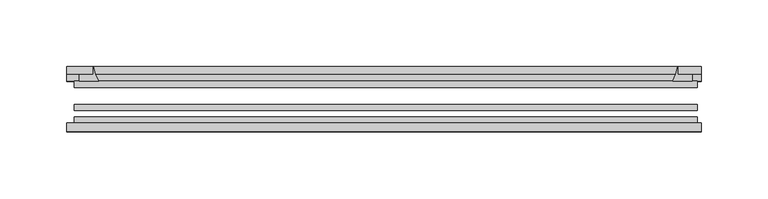
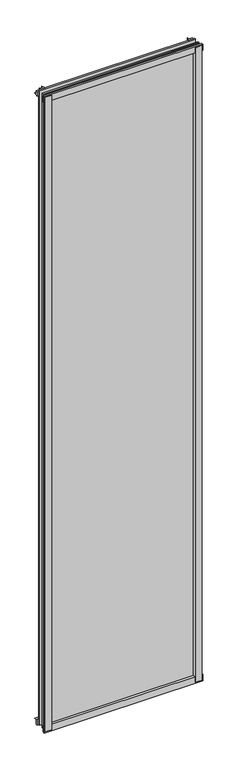
"""IFC4 building model written with IfcOpenShell, lengths in millimetres: plate geometry."""

from ifc_helpers import new_model, si_unit, point, frame, frame_2d, origin, place, context, project, spatial, polyline, circle_curve, trimmed, segment, composite_curve, outline, extrude, source, transform, mapped, element, save


def plate_85aa2384(model_context):
    return source(origin(), model_context, "Body", "SweptSolid", [
        extrude(outline(composite_curve([segment(polyline([(-235.9279, -78.7828625), (-214.5066987, -78.7828625)]), True, "CONTINUOUS"), segment(trimmed(circle_curve(frame_2d((-206.8695331, -84.652782)), 9.6323545), [point((-214.5066987, -78.7828625))], [point((-216.4899165, -85.1328625))], True, "CARTESIAN"), True, "CONTINUOUS"), segment(polyline([(-216.4899165, -85.1328625), (-235.9279, -85.1328625), (-235.9279, -78.7828625)]), True, "CONTINUOUS")], self_intersect=False)), frame((0.0, 0.0, -14.2875), z_axis=(0.0, 0.0, 1.0), x_axis=(1.0, 0.0, 0.0)), (0.0, 0.0, 1.0), 2009.775),
        extrude(outline(composite_curve([segment(polyline([(233.390119, -78.7828625), (233.390119, -85.1328625), (213.910229, -85.1328625)]), True, "CONTINUOUS"), segment(trimmed(circle_curve(frame_2d((204.2898456, -84.652782)), 9.6323545), [point((213.910229, -85.1328625))], [point((211.9270112, -78.7828625))], True, "CARTESIAN"), True, "CONTINUOUS"), segment(polyline([(211.9270112, -78.7828625), (233.390119, -78.7828625)]), True, "CONTINUOUS")], self_intersect=False)), frame((0.0, 0.0, -14.2875), z_axis=(0.0, 0.0, 1.0), x_axis=(1.0, 0.0, 0.0)), (0.0, 0.0, 1.0), 2009.775),
        extrude(outline(composite_curve([segment(polyline([(-47.1852625, -14.2875), (-47.1852625, 3.9588469)]), True, "CONTINUOUS"), segment(trimmed(circle_curve(frame_2d((-30.6824422, 32.267054)), 32.7673262), [point((-47.1852625, 3.9588469))], [point((-36.3503395, -0.00635))], True, "CARTESIAN"), True, "CONTINUOUS"), segment(polyline([(-36.3503395, -0.00635), (-42.2830625, -0.00635), (-42.2830625, -14.2875), (-47.1852625, -14.2875)]), True, "CONTINUOUS")], self_intersect=False)), frame((-239.1029, 0.0, 0.0), z_axis=(1.0, 0.0, 0.0), x_axis=(0.0, 1.0, 0.0)), (0.0, 0.0, 1.0), 475.6261125),
        extrude(outline(composite_curve([segment(polyline([(-78.7828625, -16.8821065), (-85.1328625, -16.8821065), (-85.1328625, 2.5977835)]), True, "CONTINUOUS"), segment(trimmed(circle_curve(frame_2d((-84.652782, 12.2181669)), 9.6323545), [point((-85.1328625, 2.5977835))], [point((-78.7828625, 4.5810013))], True, "CARTESIAN"), True, "CONTINUOUS"), segment(polyline([(-78.7828625, 4.5810013), (-78.7828625, -16.8821065)]), True, "CONTINUOUS")], self_intersect=False)), frame((-239.1029, 0.0, 0.0), z_axis=(1.0, 0.0, 0.0), x_axis=(0.0, 1.0, 0.0)), (0.0, 0.0, 1.0), 475.6261125),
        extrude(outline(composite_curve([segment(polyline([(-47.1852625, 1977.2284531), (-47.1852625, 1991.9002564), (-42.2830625, 1991.9002564), (-42.2830625, 1981.2), (-36.3140625, 1981.2)]), True, "CONTINUOUS"), segment(trimmed(circle_curve(frame_2d((-30.6824422, 1948.920246)), 32.7673262), [point((-36.3140625, 1981.2))], [point((-47.1852625, 1977.2284531))], True, "CARTESIAN"), True, "CONTINUOUS")], self_intersect=False)), frame((-239.1029, 0.0, 0.0), z_axis=(1.0, 0.0, 0.0), x_axis=(0.0, 1.0, 0.0)), (0.0, 0.0, 1.0), 475.6261125),
        extrude(outline(composite_curve([segment(polyline([(-78.7828625, 1998.0694065), (-78.7828625, 1976.6062987)]), True, "CONTINUOUS"), segment(trimmed(circle_curve(frame_2d((-84.652782, 1968.9691331)), 9.6323545), [point((-78.7828625, 1976.6062987))], [point((-85.1328625, 1978.5895165))], True, "CARTESIAN"), True, "CONTINUOUS"), segment(polyline([(-85.1328625, 1978.5895165), (-85.1328625, 1998.0694065), (-78.7828625, 1998.0694065)]), True, "CONTINUOUS")], self_intersect=False)), frame((-239.1029, 0.0, 0.0), z_axis=(1.0, 0.0, 0.0), x_axis=(0.0, 1.0, 0.0)), (0.0, 0.0, 1.0), 475.6261125),
        extrude(outline(composite_curve([segment(trimmed(circle_curve(frame_2d((186.7809585, -30.6824422)), 32.7673262), [point((215.0891656, -47.1852625))], [point((219.0607125, -36.3140625))], True, "CARTESIAN"), True, "CONTINUOUS"), segment(polyline([(219.0607125, -36.3140625), (219.0607125, -42.2830625), (229.7610778, -42.2830625), (229.7610778, -47.1852625), (215.0891656, -47.1852625)]), True, "CONTINUOUS")], self_intersect=False)), frame((0.0, 0.0, -14.2875), z_axis=(0.0, 0.0, 1.0), x_axis=(1.0, 0.0, 0.0)), (0.0, 0.0, 1.0), 2009.775),
        extrude(outline(composite_curve([segment(polyline([(-215.0891656, -47.1852625), (-229.7559217, -47.1852625), (-229.7559217, -42.2830625), (-219.0607125, -42.2830625), (-219.0607125, -36.3140625)]), True, "CONTINUOUS"), segment(trimmed(circle_curve(frame_2d((-186.7809585, -30.6824422)), 32.7673262), [point((-219.0607125, -36.3140625))], [point((-215.0891656, -47.1852625))], True, "CARTESIAN"), True, "CONTINUOUS")], self_intersect=False)), frame((0.0, 0.0, -14.2875), z_axis=(0.0, 0.0, 1.0), x_axis=(1.0, 0.0, 0.0)), (0.0, 0.0, 1.0), 2009.775),
        extrude(outline(polyline([(233.3482125, -64.6604625), (233.3482125, -69.4356625), (-233.3482125, -69.4356625), (-233.3482125, -64.6604625), (233.3482125, -64.6604625)])), frame((0.0, 0.0, -14.2875), z_axis=(0.0, 0.0, 1.0), x_axis=(1.0, 0.0, 0.0)), (0.0, 0.0, 1.0), 2009.775),
        extrude(outline(polyline([(-233.3482125, -78.7828625), (-233.3482125, -74.0076625), (233.3482125, -74.0076625), (233.3482125, -78.7828625), (-233.3482125, -78.7828625)])), frame((0.0, 0.0, -14.2875), z_axis=(0.0, 0.0, 1.0), x_axis=(1.0, 0.0, 0.0)), (0.0, 0.0, 1.0), 2009.775),
        extrude(outline(polyline([(-233.3482125, -47.1852625), (233.3482125, -47.1852625), (233.3482125, -51.9604625), (-233.3482125, -51.9604625), (-233.3482125, -47.1852625)])), frame((0.0, 0.0, -14.2875), z_axis=(0.0, 0.0, 1.0), x_axis=(1.0, 0.0, 0.0)), (0.0, 0.0, 1.0), 2009.775),
    ])


if __name__ == "__main__":
    model = new_model("IFC4")
    model_context = context("Model", 3, world=origin())
    ifc_project = project(units=[si_unit("LENGTHUNIT", "METRE", prefix="MILLI")], contexts=[model_context])
    site = spatial("IfcSite", under=ifc_project)
    building = spatial("IfcBuilding", under=site)
    placement = place(None, origin())
    plate_shape = plate_85aa2384(model_context)
    element("IfcPlate", 1, at=placement, inside=building, context=model_context, shape_type="MappedRepresentation", body=[
        mapped(plate_shape, transform((0.0, 0.0, 0.0), x_axis=(1.0, 0.0, 0.0), y_axis=(0.0, 1.0, 0.0), z_axis=(0.0, 0.0, 1.0))),
    ])
    save(model, "model.ifc")
